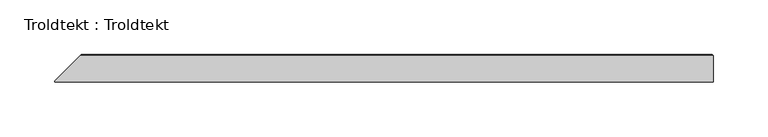
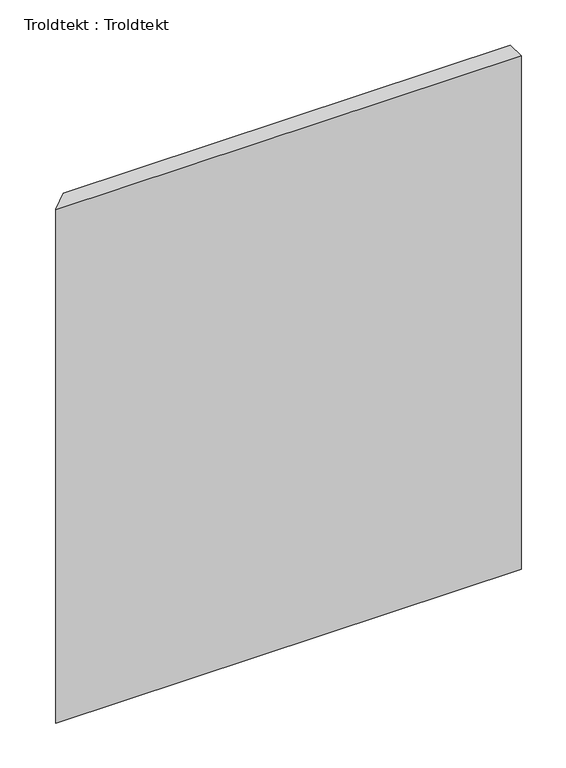
"""IFC4 building model written with IfcOpenShell, lengths in millimetres: proxy geometry, Troldtekt : Troldtekt."""

from ifc_helpers import new_model, si_unit, origin, place, context, project, spatial, faceted_brep, source, transform, mapped, element, save


def troldtekt_troldtekt_d94ce243(model_context):
    return source(origin(), model_context, "Body", "Brep", [
        faceted_brep([(-300.0, -12.5, 700.0), (300.0, -12.5, 700.0), (300.0, 11.495044, 700.0), (-277.004956, 11.495044, 700.0), (-300.0, -11.5, 700.0), (300.0, -12.5, 0.0), (-300.0, -12.5, 0.0), (-300.0, -11.5, 0.0), (-277.004956, 11.495044, 0.0), (300.0, 11.495044, 0.0), (-276.0, 12.5, 1.004956), (-276.0, 12.5, 698.995044), (298.995044, 12.5, 698.995044), (298.995044, 12.5, 1.004956)], [[[0, 1, 2, 3, 4]], [[5, 6, 7, 8, 9]], [[10, 11, 12, 13]], [[6, 0, 4, 7]], [[1, 0, 6, 5]], [[1, 5, 9, 2]], [[13, 9, 8, 10]], [[9, 13, 12, 2]], [[2, 12, 11, 3]], [[7, 4, 3, 11, 10, 8]]]),
    ])


if __name__ == "__main__":
    model = new_model("IFC4")
    model_context = context("Model", 3, world=origin())
    ifc_project = project(units=[si_unit("LENGTHUNIT", "METRE", prefix="MILLI")], contexts=[model_context])
    site = spatial("IfcSite", under=ifc_project)
    building = spatial("IfcBuilding", under=site)
    placement = place(None, origin())
    troldtekt_troldtekt_shape = troldtekt_troldtekt_d94ce243(model_context)
    element("IfcBuildingElementProxy", 1, Name="Troldtekt : Troldtekt", ObjectType="Troldtekt : Troldtekt", at=placement, inside=building, context=model_context, shape_type="MappedRepresentation", body=[
        mapped(troldtekt_troldtekt_shape, transform((0.0, 0.0, 0.0), x_axis=(1.0, 0.0, 0.0), y_axis=(0.0, 1.0, 0.0), z_axis=(0.0, 0.0, 1.0))),
    ])
    save(model, "model.ifc")
